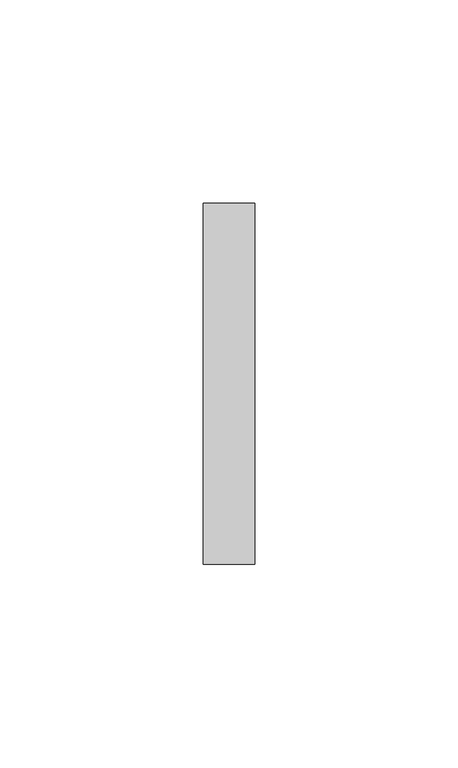
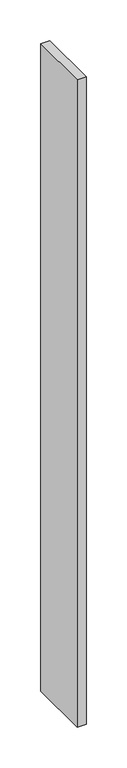
"""IFC4 building model written with IfcOpenShell, lengths in millimetres: furniture geometry."""

from ifc_helpers import new_model, si_unit, frame, origin, place, context, project, spatial, polyline, outline, extrude, source, transform, mapped, element, save


def furniture_8da56213(model_context):
    return source(origin(), model_context, "Body", "SweptSolid", [
        extrude(outline(polyline([(7.3293982, 38.6537944), (7.3293982, -50.2462056), (-5.3706018, -50.2462056), (-5.3706018, 38.6537944), (7.3293982, 38.6537944)])), frame((0.0, 0.0, 9.525), z_axis=(0.0, 0.0, 1.0), x_axis=(1.0, 0.0, 0.0)), (0.0, 0.0, 1.0), 968.375),
    ])


if __name__ == "__main__":
    model = new_model("IFC4")
    model_context = context("Model", 3, world=origin())
    ifc_project = project(units=[si_unit("LENGTHUNIT", "METRE", prefix="MILLI")], contexts=[model_context])
    site = spatial("IfcSite", under=ifc_project)
    building = spatial("IfcBuilding", under=site)
    placement = place(None, origin())
    furniture_shape = furniture_8da56213(model_context)
    element("IfcFurniture", 1, at=placement, inside=building, context=model_context, shape_type="MappedRepresentation", body=[
        mapped(furniture_shape, transform((0.0, 0.0, 0.0), x_axis=(1.0, 0.0, 0.0), y_axis=(0.0, 1.0, 0.0), z_axis=(0.0, 0.0, 1.0))),
    ])
    save(model, "model.ifc")
